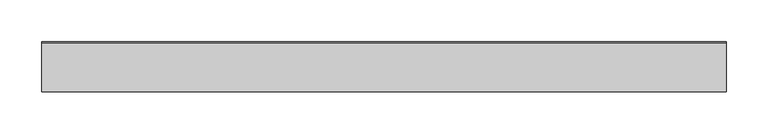
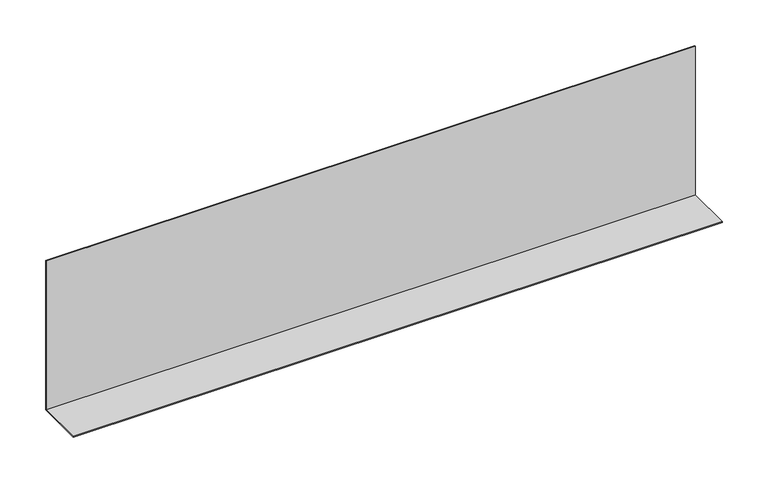
"""IFC4 building model written with IfcOpenShell, lengths in millimetres: proxy geometry."""

from ifc_helpers import new_model, si_unit, frame, origin, place, context, project, spatial, polyline, outline, extrude, source, transform, mapped, element, save


def generic_models_cefb0959(model_context):
    return source(origin(), model_context, "Body", "SweptSolid", [
        extrude(outline(polyline([(0.0, 200.0), (0.0, 0.0), (-60.0, 0.0), (-60.0, 1.0), (-1.0, 1.0), (-1.0, 200.0), (0.0, 200.0)])), frame((90.0, 0.0, 0.0), z_axis=(1.0, 0.0, 0.0), x_axis=(0.0, 1.0, 0.0)), (0.0, 0.0, 1.0), 820.0),
        extrude(outline(polyline([(0.0, 200.0), (0.0, 0.0), (-60.0, 0.0), (-60.0, 1.0), (-1.0, 1.0), (-1.0, 200.0), (0.0, 200.0)])), frame((90.0, 0.0, 0.0), z_axis=(1.0, 0.0, 0.0), x_axis=(0.0, 1.0, 0.0)), (0.0, 0.0, 1.0), 820.0),
    ])


if __name__ == "__main__":
    model = new_model("IFC4")
    model_context = context("Model", 3, world=origin())
    ifc_project = project(units=[si_unit("LENGTHUNIT", "METRE", prefix="MILLI")], contexts=[model_context])
    site = spatial("IfcSite", under=ifc_project)
    building = spatial("IfcBuilding", under=site)
    placement = place(None, origin())
    generic_models_shape = generic_models_cefb0959(model_context)
    element("IfcBuildingElementProxy", 1, Name="Generic Models", at=placement, inside=building, context=model_context, shape_type="MappedRepresentation", body=[
        mapped(generic_models_shape, transform((0.0, 0.0, 0.0), x_axis=(1.0, 0.0, 0.0), y_axis=(0.0, 1.0, 0.0), z_axis=(0.0, 0.0, 1.0))),
    ])
    save(model, "model.ifc")
